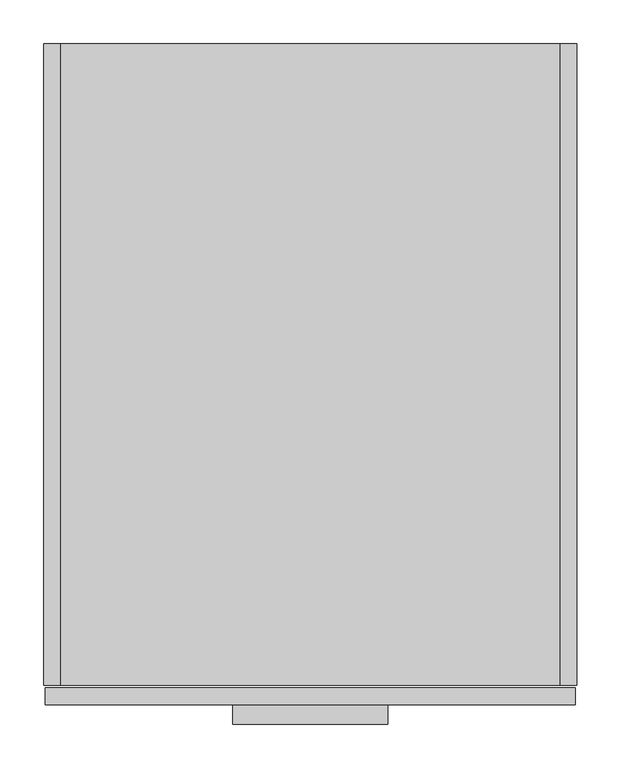
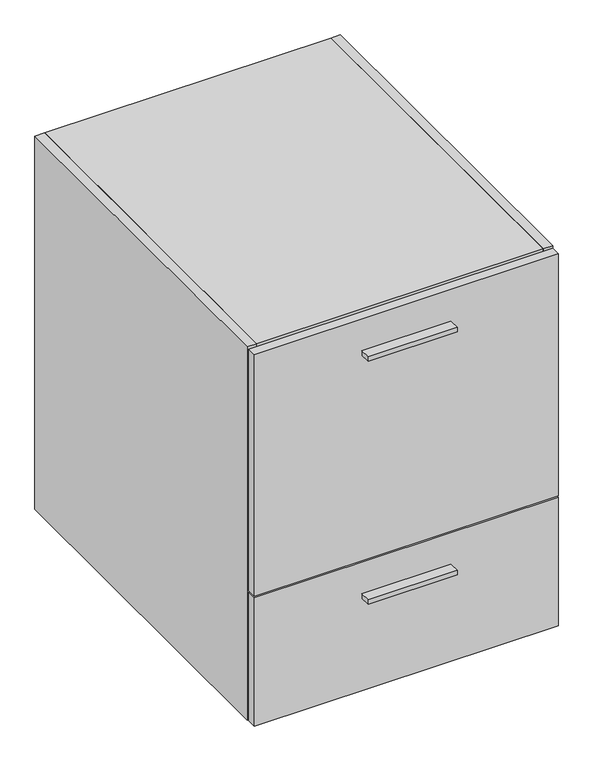
"""IFC4 building model written with IfcOpenShell, lengths in millimetres: furniture geometry."""

from ifc_helpers import new_model, si_unit, frame, origin, place, context, project, spatial, polyline, outline, extrude, source, transform, mapped, element, save


def furniture_b86af51c(model_context):
    return source(origin(), model_context, "Body", "SweptSolid", [
        extrude(outline(polyline([(393.7, -778.129), (215.9, -778.129), (215.9, -755.904), (393.7, -755.904), (393.7, -778.129)])), frame((0.0, 0.0, 297.3451), z_axis=(0.0, 0.0, 1.0), x_axis=(1.0, 0.0, 0.0)), (0.0, 0.0, 1.0), 9.525),
        extrude(outline(polyline([(393.7, -778.129), (215.9, -778.129), (215.9, -755.904), (393.7, -755.904), (393.7, -778.129)])), frame((0.0, 0.0, 809.9425), z_axis=(0.0, 0.0, 1.0), x_axis=(1.0, 0.0, 0.0)), (0.0, 0.0, 1.0), 9.525),
        extrude(outline(polyline([(590.296, 0.0), (590.296, -19.304), (19.304, -19.304), (19.304, 0.0), (590.296, 0.0)])), frame((0.0, 0.0, 101.6), z_axis=(0.0, 0.0, 1.0), x_axis=(1.0, 0.0, 0.0)), (0.0, 0.0, 1.0), 768.096),
        extrude(outline(polyline([(590.296, -733.425), (19.304, -733.425), (19.304, -19.304), (590.296, -19.304), (590.296, -733.425)])), frame((0.0, 0.0, 101.6), z_axis=(0.0, 0.0, 1.0), x_axis=(1.0, 0.0, 0.0)), (0.0, 0.0, 1.0), 19.304),
        extrude(outline(polyline([(590.296, -733.425), (19.304, -733.425), (19.304, 0.0), (590.296, 0.0), (590.296, -733.425)])), frame((0.0, 0.0, 869.696), z_axis=(0.0, 0.0, 1.0), x_axis=(1.0, 0.0, 0.0)), (0.0, 0.0, 1.0), 19.304),
        extrude(outline(polyline([(19.304, 0.0), (19.304, -733.425), (0.0, -733.425), (0.0, 0.0), (19.304, 0.0)])), frame((0.0, 0.0, 101.6), z_axis=(0.0, 0.0, 1.0), x_axis=(1.0, 0.0, 0.0)), (0.0, 0.0, 1.0), 787.4),
        extrude(outline(polyline([(590.296, 0.0), (609.6, 0.0), (609.6, -733.425), (590.296, -733.425), (590.296, 0.0)])), frame((0.0, 0.0, 101.6), z_axis=(0.0, 0.0, 1.0), x_axis=(1.0, 0.0, 0.0)), (0.0, 0.0, 1.0), 787.4),
        extrude(outline(polyline([(608.0125, -755.904), (1.5875, -755.904), (1.5875, -736.6), (608.0125, -736.6), (608.0125, -755.904)])), frame((0.0, 0.0, 101.6), z_axis=(0.0, 0.0, 1.0), x_axis=(1.0, 0.0, 0.0)), (0.0, 0.0, 1.0), 271.6276),
        extrude(outline(polyline([(608.0125, -755.904), (1.5875, -755.904), (1.5875, -736.6), (608.0125, -736.6), (608.0125, -755.904)])), frame((0.0, 0.0, 376.4026), z_axis=(0.0, 0.0, 1.0), x_axis=(1.0, 0.0, 0.0)), (0.0, 0.0, 1.0), 509.4224),
    ])


if __name__ == "__main__":
    model = new_model("IFC4")
    model_context = context("Model", 3, world=origin())
    ifc_project = project(units=[si_unit("LENGTHUNIT", "METRE", prefix="MILLI")], contexts=[model_context])
    site = spatial("IfcSite", under=ifc_project)
    building = spatial("IfcBuilding", under=site)
    placement = place(None, origin())
    furniture_shape = furniture_b86af51c(model_context)
    element("IfcFurniture", 1, at=placement, inside=building, context=model_context, shape_type="MappedRepresentation", body=[
        mapped(furniture_shape, transform((0.0, 0.0, 0.0), x_axis=(1.0, 0.0, 0.0), y_axis=(0.0, 1.0, 0.0), z_axis=(0.0, 0.0, 1.0))),
    ])
    save(model, "model.ifc")
